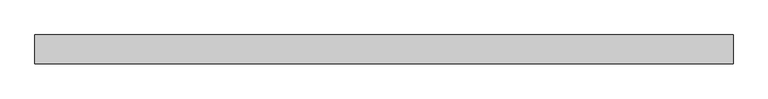
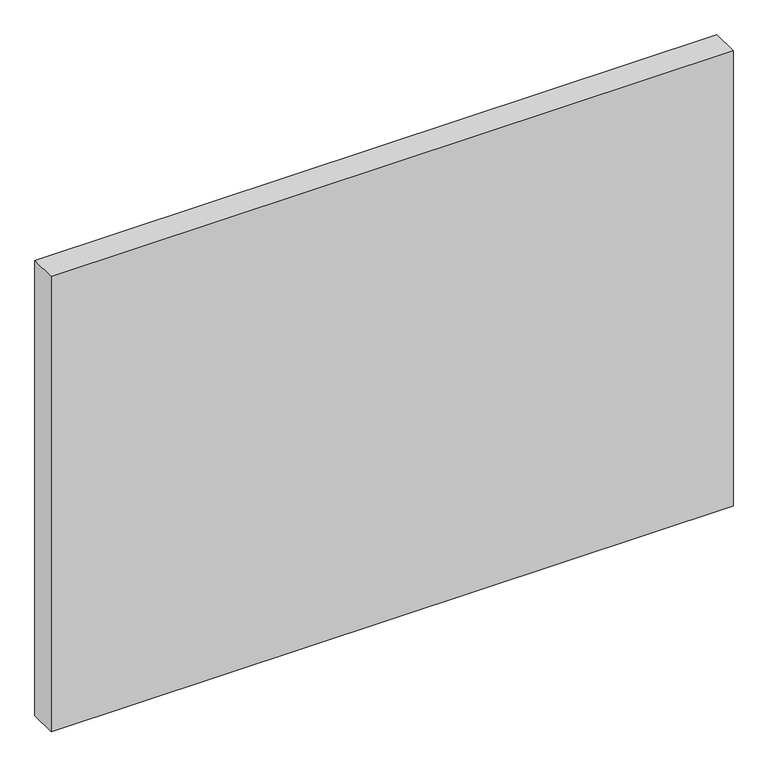
"""IFC4 building model written with IfcOpenShell, lengths in millimetres: proxy geometry."""

from ifc_helpers import new_model, si_unit, origin, origin_with_axes, place, context, project, spatial, polyline, outline, extrude, source, transform, mapped, element, save


def generic_models_6b28a079(model_context):
    return source(origin(), model_context, "Body", "SweptSolid", [
        extrude(outline(polyline([(260670.4073237, -66657.552087), (261965.8073237, -66657.552087), (261965.8073237, -66710.6102942), (260670.4073237, -66710.6102942), (260670.4073237, -66657.552087)])), origin_with_axes(), (0.0, 0.0, 1.0), 914.4),
    ])


if __name__ == "__main__":
    model = new_model("IFC4")
    model_context = context("Model", 3, world=origin())
    ifc_project = project(units=[si_unit("LENGTHUNIT", "METRE", prefix="MILLI")], contexts=[model_context])
    site = spatial("IfcSite", under=ifc_project)
    building = spatial("IfcBuilding", under=site)
    placement = place(None, origin())
    generic_models_shape = generic_models_6b28a079(model_context)
    element("IfcBuildingElementProxy", 1, Name="Generic Models", at=placement, inside=building, context=model_context, shape_type="MappedRepresentation", body=[
        mapped(generic_models_shape, transform((0.0, 0.0, 0.0), x_axis=(1.0, 0.0, 0.0), y_axis=(0.0, 1.0, 0.0), z_axis=(0.0, 0.0, 1.0))),
    ])
    save(model, "model.ifc")
